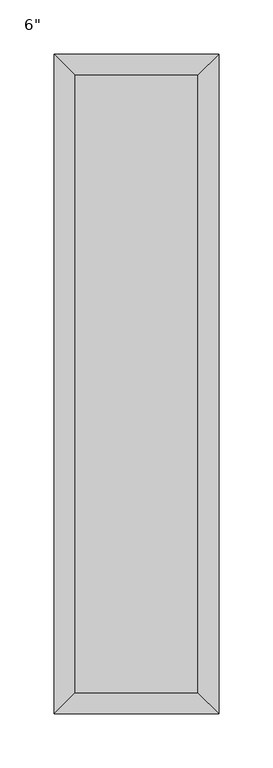
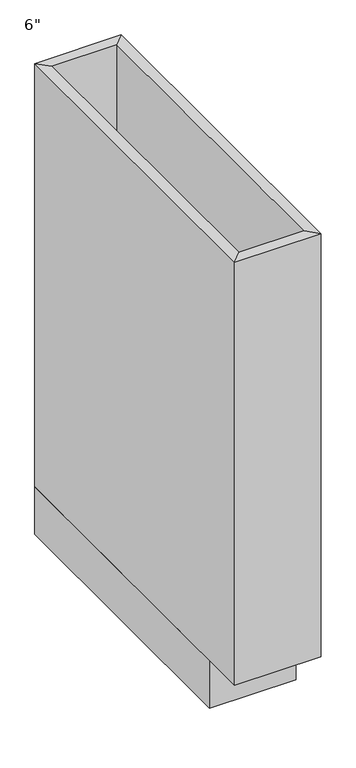
"""IFC4 building model written with IfcOpenShell, lengths in millimetres: furniture geometry."""

from ifc_helpers import new_model, si_unit, frame, origin, origin_with_axes, place, context, project, spatial, polyline, outline, extrude, faceted_brep, source, transform, mapped, element, save


def furniture_5426d4c7(model_context):
    return source(origin(), model_context, "Body", "SolidModel", [
        extrude(outline(polyline([(75.8877049, -19.05), (75.8877049, -590.55), (-38.4122951, -590.55), (-38.4122951, -19.05), (75.8877049, -19.05)])), frame((0.0, 0.0, 88.9), z_axis=(0.0, 0.0, 1.0), x_axis=(1.0, 0.0, 0.0)), (0.0, 0.0, 1.0), 19.05),
        faceted_brep([(75.8877049, -590.55, 876.3), (75.8877049, -590.55, 88.9), (-38.4122951, -590.55, 88.9), (-38.4122951, -590.55, 876.3), (94.9377049, -609.6, 876.3), (-57.4622951, -609.6, 876.3), (94.9377049, -609.6, 88.9), (-57.4622951, -609.6, 88.9), (-38.4122951, -19.05, 88.9), (-38.4122951, -19.05, 876.3), (-57.4622951, 0.0, 876.3), (-57.4622951, 0.0, 88.9), (75.8877049, -19.05, 88.9), (75.8877049, -19.05, 876.3), (94.9377049, 0.0, 876.3), (94.9377049, 0.0, 88.9)], [[[0, 1, 2, 3]], [[4, 0, 3, 5]], [[6, 4, 5, 7]], [[1, 6, 7, 2]], [[3, 2, 8, 9]], [[5, 3, 9, 10]], [[7, 5, 10, 11]], [[2, 7, 11, 8]], [[9, 8, 12, 13]], [[10, 9, 13, 14]], [[11, 10, 14, 15]], [[8, 11, 15, 12]], [[13, 12, 1, 0]], [[14, 13, 0, 4]], [[15, 14, 4, 6]], [[12, 15, 6, 1]]]),
        extrude(outline(polyline([(94.9377049, 0.0), (94.9377049, -533.4), (-57.4622951, -533.4), (-57.4622951, 0.0), (94.9377049, 0.0)])), origin_with_axes(), (0.0, 0.0, 1.0), 88.9),
    ])


if __name__ == "__main__":
    model = new_model("IFC4")
    model_context = context("Model", 3, world=origin())
    ifc_project = project(units=[si_unit("LENGTHUNIT", "METRE", prefix="MILLI")], contexts=[model_context])
    site = spatial("IfcSite", under=ifc_project)
    building = spatial("IfcBuilding", under=site)
    placement = place(None, origin())
    furniture_shape = furniture_5426d4c7(model_context)
    element("IfcFurniture", 1, ObjectType="6\"", at=placement, inside=building, context=model_context, shape_type="MappedRepresentation", body=[
        mapped(furniture_shape, transform((0.0, 0.0, 0.0), x_axis=(1.0, 0.0, 0.0), y_axis=(0.0, 1.0, 0.0), z_axis=(0.0, 0.0, 1.0))),
    ])
    save(model, "model.ifc")
